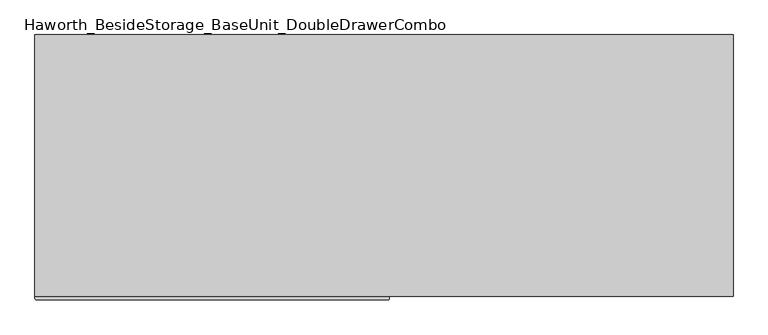
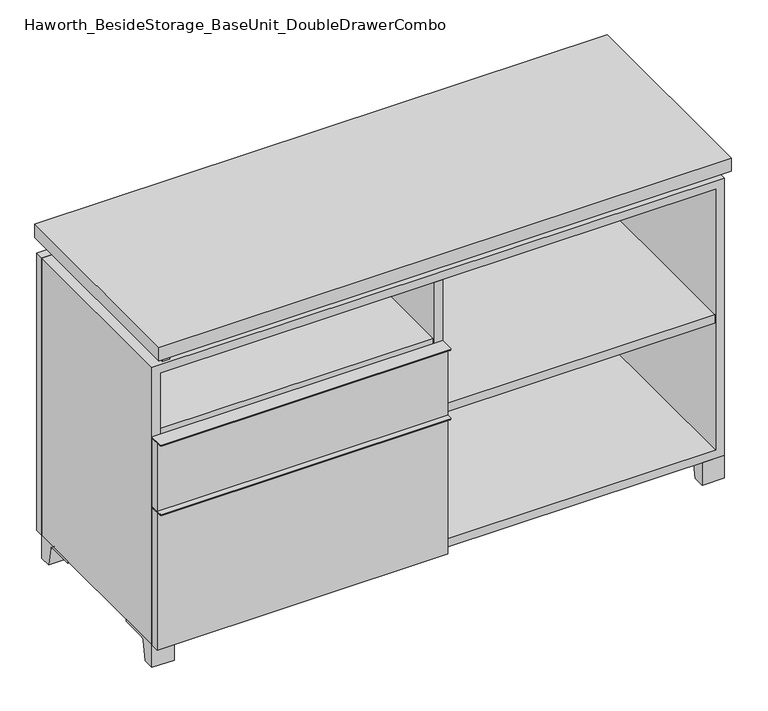
"""IFC4 building model written with IfcOpenShell, lengths in millimetres: furniture geometry, Haworth_BesideStorage_BaseUnit_DoubleDrawerCombo."""

from ifc_helpers import new_model, si_unit, point, frame, frame_2d, origin, place, context, project, spatial, polyline, circle_curve, trimmed, segment, composite_curve, outline, extrude, source, transform, mapped, element, save


def haworth_besidestorage_baseunit_doubledrawercombo_30723391(model_context):
    return source(origin(), model_context, "Body", "SweptSolid", [
        extrude(outline(polyline([(-9.5111094, 234.95), (-9.5111094, -136.525), (-590.5361094, -136.525), (-590.5361094, 234.95), (-9.5111094, 234.95)])), frame((0.0, 0.0, 510.38125), z_axis=(0.0, 0.0, 1.0), x_axis=(1.0, 0.0, 0.0)), (0.0, 0.0, 1.0), 19.05),
        extrude(outline(composite_curve([segment(polyline([(9.5388906, -139.7), (9.5388906, -168.275)]), True, "CONTINUOUS"), segment(trimmed(circle_curve(frame_2d((6.3638906, -168.275)), 3.175), [point((9.5388906, -168.275))], [point((6.3638906, -171.45))], False, "CARTESIAN"), True, "CONTINUOUS"), segment(polyline([(6.3638906, -171.45), (-606.4111094, -171.45)]), True, "CONTINUOUS"), segment(trimmed(circle_curve(frame_2d((-606.4111094, -168.275)), 3.175), [point((-606.4111094, -171.45))], [point((-609.5861094, -168.275))], False, "CARTESIAN"), True, "CONTINUOUS"), segment(polyline([(-609.5861094, -168.275), (-609.5861094, -139.7), (9.5388906, -139.7)]), True, "CONTINUOUS")], self_intersect=False)), frame((0.0, 0.0, 517.525), z_axis=(0.0, 0.0, 1.0), x_axis=(1.0, 0.0, 0.0)), (0.0, 0.0, 1.0), 2.38125),
        extrude(outline(polyline([(9.5388906, -139.7), (9.5388906, -158.75), (-609.5861094, -158.75), (-609.5861094, -139.7), (9.5388906, -139.7)])), frame((0.0, 0.0, 363.5375), z_axis=(0.0, 0.0, 1.0), x_axis=(1.0, 0.0, 0.0)), (0.0, 0.0, 1.0), 153.9875),
        extrude(outline(composite_curve([segment(polyline([(9.5388906, -139.7), (9.5388906, -168.275)]), True, "CONTINUOUS"), segment(trimmed(circle_curve(frame_2d((6.3638906, -168.275)), 3.175), [point((9.5388906, -168.275))], [point((6.3638906, -171.45))], False, "CARTESIAN"), True, "CONTINUOUS"), segment(polyline([(6.3638906, -171.45), (-606.4111094, -171.45)]), True, "CONTINUOUS"), segment(trimmed(circle_curve(frame_2d((-606.4111094, -168.275)), 3.175), [point((-606.4111094, -171.45))], [point((-609.5861094, -168.275))], False, "CARTESIAN"), True, "CONTINUOUS"), segment(polyline([(-609.5861094, -168.275), (-609.5861094, -139.7), (9.5388906, -139.7)]), True, "CONTINUOUS")], self_intersect=False)), frame((0.0, 0.0, 361.15625), z_axis=(0.0, 0.0, 1.0), x_axis=(1.0, 0.0, 0.0)), (0.0, 0.0, 1.0), 2.38125),
        extrude(outline(polyline([(9.5388906, -139.7), (9.5388906, -158.75), (-609.5861094, -158.75), (-609.5861094, -139.7), (9.5388906, -139.7)])), frame((0.0, 0.0, 50.8), z_axis=(0.0, 0.0, 1.0), x_axis=(1.0, 0.0, 0.0)), (0.0, 0.0, 1.0), 310.35625),
        extrude(outline(polyline([(590.5569453, 234.95), (590.5569453, -136.525), (9.5319453, -136.525), (9.5319453, 234.95), (590.5569453, 234.95)])), frame((0.0, 0.0, 354.0125), z_axis=(0.0, 0.0, 1.0), x_axis=(1.0, 0.0, 0.0)), (0.0, 0.0, 1.0), 19.05),
        extrude(outline(polyline([(609.6138906, 292.1), (609.6138906, -165.1), (-609.5861094, -165.1), (-609.5861094, 292.1), (609.6138906, 292.1)])), frame((0.0, 0.0, 706.4375), z_axis=(0.0, 0.0, 1.0), x_axis=(1.0, 0.0, 0.0)), (0.0, 0.0, 1.0), 30.1625),
        extrude(outline(composite_curve([segment(polyline([(-114.3000136, 0.0), (-139.7, 0.0), (-139.7, 50.8), (-44.45, 50.8), (-44.45, 46.0213321), (-101.2505345, 46.0213321)]), True, "CONTINUOUS"), segment(trimmed(circle_curve(frame_2d((-101.2505345, 39.6713321)), 6.35), [point((-101.2505345, 46.0213321))], [point((-107.5141359, 40.7152656))], True, "CARTESIAN"), True, "CONTINUOUS"), segment(polyline([(-107.5141359, 40.7152656), (-114.3000136, 0.0)]), True, "CONTINUOUS")], self_intersect=False)), frame((561.9888906, 0.0, 0.0), z_axis=(1.0, 0.0, 0.0), x_axis=(0.0, 1.0, 0.0)), (0.0, 0.0, 1.0), 47.625),
        extrude(outline(composite_curve([segment(polyline([(241.3000136, 0.0), (234.5141359, 40.7152656)]), True, "CONTINUOUS"), segment(trimmed(circle_curve(frame_2d((228.2505345, 39.6713321)), 6.35), [point((234.5141359, 40.7152656))], [point((228.2505345, 46.0213321))], True, "CARTESIAN"), True, "CONTINUOUS"), segment(polyline([(228.2505345, 46.0213321), (171.45, 46.0213321), (171.45, 50.8), (266.7, 50.8), (266.7, 0.0), (241.3000136, 0.0)]), True, "CONTINUOUS")], self_intersect=False)), frame((561.9888906, 0.0, 0.0), z_axis=(1.0, 0.0, 0.0), x_axis=(0.0, 1.0, 0.0)), (0.0, 0.0, 1.0), 47.625),
        extrude(outline(composite_curve([segment(polyline([(-114.3000136, 0.0), (-139.7, 0.0), (-139.7, 50.8), (-44.45, 50.8), (-44.45, 46.0213321), (-101.2505345, 46.0213321)]), True, "CONTINUOUS"), segment(trimmed(circle_curve(frame_2d((-101.2505345, 39.6713321)), 6.35), [point((-101.2505345, 46.0213321))], [point((-107.5141359, 40.7152656))], True, "CARTESIAN"), True, "CONTINUOUS"), segment(polyline([(-107.5141359, 40.7152656), (-114.3000136, 0.0)]), True, "CONTINUOUS")], self_intersect=False)), frame((-609.5861094, 0.0, 0.0), z_axis=(1.0, 0.0, 0.0), x_axis=(0.0, 1.0, 0.0)), (0.0, 0.0, 1.0), 47.625),
        extrude(outline(composite_curve([segment(polyline([(241.3000136, 0.0), (234.5141359, 40.7152656)]), True, "CONTINUOUS"), segment(trimmed(circle_curve(frame_2d((228.2505345, 39.6713321)), 6.35), [point((234.5141359, 40.7152656))], [point((228.2505345, 46.0213321))], True, "CARTESIAN"), True, "CONTINUOUS"), segment(polyline([(228.2505345, 46.0213321), (171.45, 46.0213321), (171.45, 50.8), (266.7, 50.8), (266.7, 0.0), (241.3000136, 0.0)]), True, "CONTINUOUS")], self_intersect=False)), frame((-609.5861094, 0.0, 0.0), z_axis=(1.0, 0.0, 0.0), x_axis=(0.0, 1.0, 0.0)), (0.0, 0.0, 1.0), 47.625),
        extrude(outline(polyline([(-584.1791641, -133.35), (-584.1791641, 234.95), (-568.3041641, 234.95), (-568.3041641, 73.025), (-7.9236094, 73.025), (-7.9236094, 247.65), (7.9513906, 247.65), (7.9513906, 73.025), (568.3111094, 73.025), (568.3111094, 247.65), (584.1861094, 247.65), (584.1861094, -120.65), (568.3111094, -120.65), (568.3111094, 53.975), (7.9513906, 53.975), (7.9513906, -120.65), (-7.9236094, -120.65), (-7.9236094, 53.975), (-568.3041641, 53.975), (-568.3041641, -133.35), (-584.1791641, -133.35)])), frame((0.0, 0.0, 676.275), z_axis=(0.0, 0.0, 1.0), x_axis=(1.0, 0.0, 0.0)), (0.0, 0.0, 1.0), 30.1625),
        extrude(outline(polyline([(9.5388906, 234.95), (9.5388906, -139.7), (-9.5111094, -139.7), (-9.5111094, 234.95), (9.5388906, 234.95)])), frame((0.0, 0.0, 69.85), z_axis=(0.0, 0.0, 1.0), x_axis=(1.0, 0.0, 0.0)), (0.0, 0.0, 1.0), 587.375),
        extrude(outline(polyline([(609.6138906, 266.7), (-609.5861094, 266.7), (-609.5861094, 285.75), (609.6138906, 285.75), (609.6138906, 266.7)])), frame((0.0, 0.0, 50.8), z_axis=(0.0, 0.0, 1.0), x_axis=(1.0, 0.0, 0.0)), (0.0, 0.0, 1.0), 625.475),
        extrude(outline(polyline([(50.8, -609.5861094), (50.8, 609.6), (676.275, 609.6), (676.275, -609.5861094), (50.8, -609.5861094)]), holes=[polyline([(69.85, -590.5361094), (657.225, -590.5361094), (657.225, 590.5361094), (69.85, 590.5361094), (69.85, -590.5361094)])]), frame((0.0, -139.7, 0.0), z_axis=(0.0, 1.0, 0.0), x_axis=(0.0, 0.0, 1.0)), (0.0, 0.0, 1.0), 406.4),
        extrude(outline(polyline([(-590.5291641, 234.95), (-590.5291641, 241.3), (590.5569453, 241.3), (590.5569453, 234.95), (-590.5291641, 234.95)])), frame((0.0, 0.0, 69.85), z_axis=(0.0, 0.0, 1.0), x_axis=(1.0, 0.0, 0.0)), (0.0, 0.0, 1.0), 587.375),
    ])


if __name__ == "__main__":
    model = new_model("IFC4")
    model_context = context("Model", 3, world=origin())
    ifc_project = project(units=[si_unit("LENGTHUNIT", "METRE", prefix="MILLI")], contexts=[model_context])
    site = spatial("IfcSite", under=ifc_project)
    building = spatial("IfcBuilding", under=site)
    placement = place(None, origin())
    haworth_besidestorage_baseunit_doubledrawercombo_shape = haworth_besidestorage_baseunit_doubledrawercombo_30723391(model_context)
    element("IfcFurniture", 1, ObjectType="Haworth_BesideStorage_BaseUnit_DoubleDrawerCombo", at=placement, inside=building, context=model_context, shape_type="MappedRepresentation", body=[
        mapped(haworth_besidestorage_baseunit_doubledrawercombo_shape, transform((0.0, 0.0, 0.0), x_axis=(1.0, 0.0, 0.0), y_axis=(0.0, 1.0, 0.0), z_axis=(0.0, 0.0, 1.0))),
    ])
    save(model, "model.ifc")
